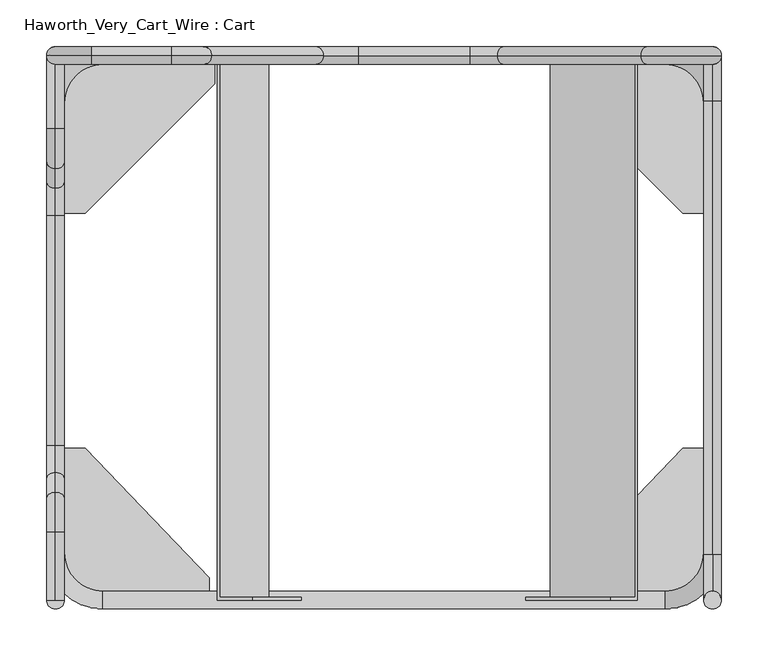
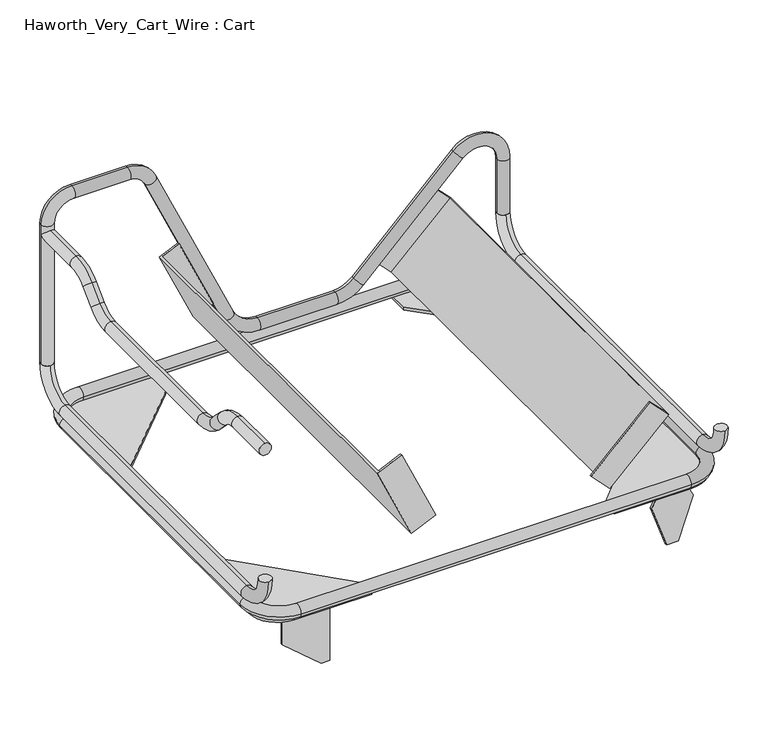
"""IFC4 building model written with IfcOpenShell, lengths in millimetres: furniture geometry, Haworth_Very_Cart_Wire : Cart."""

from ifc_helpers import new_model, si_unit, point, frame, frame_2d, origin, place, context, project, spatial, polyline, circle_curve, ellipse_curve, trimmed, segment, composite_curve, outline, extrude, source, transform, mapped, element, save
from ifc_brep_helpers import plane_surface, cylinder_surface, revolved_surface, advanced_brep


def haworth_very_cart_wire_cart_1d383df7(model_context):
    return source(origin(), model_context, "Body", "SolidModel", [
        extrude(outline(polyline([(105.1682141, -295.275), (53.9749896, -234.6223906), (53.9749896, -221.6149794), (155.5750061, -221.6149794), (155.5750061, -295.275), (105.1682141, -295.275)])), frame((0.0, -271.8699061, 0.0), z_axis=(0.0, 1.0, 0.0), x_axis=(0.0, 0.0, 1.0)), (0.0, 0.0, 1.0), 3.1750061),
        extrude(outline(polyline([(127.4524732, 276.010203), (60.3989614, 299.0985857), (60.3989614, 317.1114397), (127.4524732, 340.1998223), (155.5750061, 326.4835551), (155.5750061, 289.7264702), (127.4524732, 276.010203)])), frame((0.0, -271.8699061, 0.0), z_axis=(0.0, 1.0, 0.0), x_axis=(0.0, 0.0, 1.0)), (0.0, 0.0, 1.0), 3.1750061),
        extrude(outline(composite_curve([segment(polyline([(-168.6549974, -267.9710283), (-168.6549974, -292.1), (-288.5450147, -292.1)]), True, "CONTINUOUS"), segment(trimmed(circle_curve(frame_2d((-288.5450147, -247.2700147)), 44.8299853), [point((-288.5450147, -292.1))], [point((-333.375, -247.2700147))], False, "CARTESIAN"), True, "CONTINUOUS"), segment(polyline([(-333.375, -247.2700147), (-333.375, -129.0310261), (-301.6249758, -129.0310261), (-168.6549974, -267.9710283)]), True, "CONTINUOUS")], self_intersect=False)), frame((0.0, 0.0, 155.5750061), z_axis=(0.0, 0.0, 1.0), x_axis=(1.0, 0.0, 0.0)), (0.0, 0.0, 1.0), 4.5542097),
        extrude(outline(composite_curve([segment(polyline([(206.7549974, -267.9710283), (339.7249758, -129.0310261), (371.475, -129.0310261), (371.475, -247.2700147)]), True, "CONTINUOUS"), segment(trimmed(circle_curve(frame_2d((326.6450147, -247.2700147)), 44.8299853), [point((371.475, -247.2700147))], [point((326.6450147, -292.1))], False, "CARTESIAN"), True, "CONTINUOUS"), segment(polyline([(326.6450147, -292.1), (206.7549974, -292.1), (206.7549974, -267.9710283)]), True, "CONTINUOUS")], self_intersect=False)), frame((0.0, 0.0, 155.5750061), z_axis=(0.0, 0.0, 1.0), x_axis=(1.0, 0.0, 0.0)), (0.0, 0.0, 1.0), 4.5542097),
        extrude(outline(composite_curve([segment(polyline([(200.7849827, 262.0010136), (200.7849827, 292.1), (320.675, 292.1)]), True, "CONTINUOUS"), segment(trimmed(circle_curve(frame_2d((320.675, 241.3)), 50.8), [point((320.675, 292.1))], [point((371.475, 241.3))], False, "CARTESIAN"), True, "CONTINUOUS"), segment(polyline([(371.475, 241.3), (371.475, 123.0610114), (339.7249758, 123.0610114), (200.7849827, 262.0010136)]), True, "CONTINUOUS")], self_intersect=False)), frame((0.0, 0.0, 155.5750061), z_axis=(0.0, 0.0, 1.0), x_axis=(1.0, 0.0, 0.0)), (0.0, 0.0, 1.0), 4.5542097),
        extrude(outline(composite_curve([segment(polyline([(-162.6849827, 262.0010136), (-301.6249758, 123.0610114), (-333.375, 123.0610114), (-333.375, 241.3)]), True, "CONTINUOUS"), segment(trimmed(circle_curve(frame_2d((-282.575, 241.3)), 50.8), [point((-333.375, 241.3))], [point((-282.575, 292.1))], False, "CARTESIAN"), True, "CONTINUOUS"), segment(polyline([(-282.575, 292.1), (-162.6849827, 292.1), (-162.6849827, 262.0010136)]), True, "CONTINUOUS")], self_intersect=False)), frame((0.0, 0.0, 155.5750061), z_axis=(0.0, 0.0, 1.0), x_axis=(1.0, 0.0, 0.0)), (0.0, 0.0, 1.0), 4.5542097),
        extrude(outline(polyline([(0.0, 0.0), (0.0, -41.274994), (-584.2, -41.274994), (-584.2, -0.3202354), (-581.025, -0.3202354), (-581.025, -38.099994), (-3.175, -38.099994), (-3.175, 0.0), (0.0, 0.0)])), frame((170.644216, 292.1, 229.9253646), z_axis=(0.7158561839143719, 0.0, 0.6982477525574666), x_axis=(0.0, 1.0, 0.0)), (0.0, 0.0, 1.0), 127.4894937),
        extrude(outline(polyline([(34.9249941, 0.0), (34.9249941, -3.175), (-3.1749999, -3.175), (-3.1749999, -581.025), (34.9249941, -581.025), (34.9249941, -584.2), (-6.35, -584.2), (-6.35, 0.0), (34.9249941, 0.0)])), frame((-101.4368743, 292.1, 236.7148568), z_axis=(-0.4131043885768614, 0.0, 0.9106836795169537), x_axis=(0.9106836795169537, 0.0, 0.4131043885768614)), (0.0, 0.0, 1.0), 127.4894937),
        advanced_brep(
        [(-323.85, 292.1, 239.5042218), (-342.9, 292.1, 239.5042218), (-342.9, 292.1, 450.6029099), (-342.9, 292.1, 466.7962166), (-323.85, 292.1, 466.7962166), (-323.85, 292.1, 450.6029099), (-333.375, 282.575, 441.0779099), (-333.375, 282.575, 460.1279099), (-295.275, 292.1, 514.4212166), (-295.275, 292.1, 495.3712166), (-209.2928103, 292.1, 514.4212166), (-209.2928103, 292.1, 495.3712166), (-165.9215016, 292.1, 486.4703166), (-183.2700251, 292.1, 478.6006766), (-46.1580734, 292.1, 222.4533291), (-63.5065969, 292.1, 214.5836891), (-8.5696059, 292.1, 198.2292157), (-8.5696059, 292.1, 179.1792157), (111.2610763, 292.1, 198.2292157), (111.2610763, 292.1, 179.1792157), (140.4469087, 292.1, 210.3183833), (153.9172929, 292.1, 196.8479991), (294.2789755, 292.1, 364.1504501), (307.7493597, 292.1, 350.6800659), (381.0, 292.1, 328.2294256), (361.95, 292.1, 328.2294256), (361.95, 292.1, 239.5042218), (381.0, 292.1, 239.5042218), (-333.375, -292.1, 441.0779099), (-333.375, -292.1, 460.1279099), (-333.375, -219.256543, 441.0779099), (-333.375, -219.256543, 460.1279099), (-333.375, -190.0707106, 428.9887423), (-333.375, -176.6003264, 442.4591265), (-333.375, -169.0286374, 407.9466691), (-333.375, -155.5582532, 421.4170533), (-333.375, -126.3724208, 390.2778857), (-333.375, -126.3724208, 409.3278857), (-333.375, 120.4024037, 390.2778857), (-333.375, 120.4024037, 409.3278857), (-333.375, 163.0586339, 407.9466828), (-333.375, 149.5882454, 421.4170626), (-333.375, 184.1006707, 428.988733), (-333.375, 170.6302823, 442.4591129), (-333.375, 213.2865124, 441.0779099), (-333.375, 213.2865124, 460.1279099)],
        [
            (0, 1, circle_curve(frame((-333.375, 292.1, 239.5042218), z_axis=(0.0, 0.0, -1.0), x_axis=(-1.0, 0.0, 0.0)), 9.525)),
            (1, 0, circle_curve(frame((-333.375, 292.1, 239.5042218), z_axis=(0.0, 0.0, -1.0), x_axis=(-1.0, 0.0, 0.0)), 9.525)),
            (1, 2),
            (2, 3),
            (3, 4, circle_curve(frame((-333.375, 292.1, 466.7962166), z_axis=(0.0, 0.0, -1.0), x_axis=(-1.0, 0.0, 0.0)), 9.525)),
            (4, 5),
            (5, 0),
            (5, 6, ellipse_curve(frame((-333.375, 292.1, 450.6029099), z_axis=(0.0, 0.7071067811865475, -0.7071067811865475), x_axis=(0.0, -0.7071067811865474, -0.7071067811865476)), 13.4703842, 9.525)),
            (6, 2, ellipse_curve(frame((-333.375, 292.1, 450.6029099), z_axis=(0.0, 0.7071067811865475, -0.7071067811865475), x_axis=(0.0, -0.7071067811865474, -0.7071067811865476)), 13.4703842, 9.525)),
            (4, 3, circle_curve(frame((-333.375, 292.1, 466.7962166), z_axis=(0.0, 0.0, -1.0), x_axis=(-1.0, 0.0, 0.0)), 9.525)),
            (2, 7, ellipse_curve(frame((-333.375, 292.1, 450.6029099), z_axis=(0.0, 0.7071067811865475, 0.7071067811865475), x_axis=(0.0, 0.7071067811865474, -0.7071067811865476)), 13.4703842, 9.525)),
            (7, 5, ellipse_curve(frame((-333.375, 292.1, 450.6029099), z_axis=(0.0, 0.7071067811865475, 0.7071067811865475), x_axis=(0.0, 0.7071067811865474, -0.7071067811865476)), 13.4703842, 9.525)),
            (3, 8, circle_curve(frame((-295.275, 292.1, 466.7962166), z_axis=(0.0, 1.0, 0.0), x_axis=(-1.0, 0.0, 0.0)), 47.625)),
            (8, 9, circle_curve(frame((-295.275, 292.1, 504.8962166), z_axis=(-1.0, 0.0, 0.0), x_axis=(0.0, 0.0, 1.0)), 9.525)),
            (9, 4, circle_curve(frame((-295.275, 292.1, 466.7962166), z_axis=(0.0, -1.0, 0.0), x_axis=(-1.0, 0.0, 0.0)), 28.575)),
            (9, 8, circle_curve(frame((-295.275, 292.1, 504.8962166), z_axis=(-1.0, 0.0, 0.0), x_axis=(0.0, 0.0, 1.0)), 9.525)),
            (8, 10),
            (10, 11, circle_curve(frame((-209.2928103, 292.1, 504.8962166), z_axis=(-1.0, 0.0, 0.0), x_axis=(0.0, 0.0, 1.0)), 9.525)),
            (11, 9),
            (11, 10, circle_curve(frame((-209.2928103, 292.1, 504.8962166), z_axis=(-1.0, 0.0, 0.0), x_axis=(0.0, 0.0, 1.0)), 9.525)),
            (10, 12, circle_curve(frame((-209.2928103, 292.1, 466.7962166), z_axis=(0.0, 1.0, 0.0), x_axis=(0.0, 0.0, 1.0)), 47.625)),
            (12, 13, circle_curve(frame((-174.5957634, 292.1, 482.5354966), z_axis=(-0.41310446171335313, 0.0, 0.9106836463407701), x_axis=(0.9106836463407701, 0.0, 0.41310446171335313)), 9.525)),
            (13, 11, circle_curve(frame((-209.2928103, 292.1, 466.7962166), z_axis=(0.0, -1.0, 0.0), x_axis=(0.0, 0.0, 1.0)), 28.575)),
            (13, 12, circle_curve(frame((-174.5957634, 292.1, 482.5354966), z_axis=(-0.41310446171335374, 0.0, 0.9106836463407698), x_axis=(0.9106836463407698, 0.0, 0.41310446171335374)), 9.525)),
            (12, 14),
            (14, 15, circle_curve(frame((-54.8323352, 292.1, 218.5185091), z_axis=(-0.41310446171335236, 0.0, 0.9106836463407705), x_axis=(0.9106836463407705, 0.0, 0.41310446171335236)), 9.525)),
            (15, 13),
            (15, 14, circle_curve(frame((-54.8323352, 292.1, 218.5185091), z_axis=(-0.41310446171335236, 0.0, 0.9106836463407705), x_axis=(0.9106836463407705, 0.0, 0.41310446171335236)), 9.525)),
            (14, 16, circle_curve(frame((-8.5696059, 292.1, 239.5042157), z_axis=(0.0, -1.0, 0.0), x_axis=(-0.9106836463407736, 0.0, -0.4131044617133453)), 41.275)),
            (16, 17, circle_curve(frame((-8.5696059, 292.1, 188.7042157), z_axis=(-1.0, 0.0, 0.0), x_axis=(0.0, 0.0, 1.0)), 9.525)),
            (17, 15, circle_curve(frame((-8.5696059, 292.1, 239.5042157), z_axis=(0.0, 1.0, 0.0), x_axis=(-0.9106836463407736, 0.0, -0.4131044617133453)), 60.325)),
            (17, 16, circle_curve(frame((-8.5696059, 292.1, 188.7042157), z_axis=(-1.0, 0.0, 0.0), x_axis=(0.0, 0.0, 1.0)), 9.525)),
            (16, 18),
            (18, 19, circle_curve(frame((111.2610763, 292.1, 188.7042157), z_axis=(-1.0, 0.0, 0.0), x_axis=(0.0, 0.0, 1.0)), 9.525)),
            (19, 17),
            (19, 18, circle_curve(frame((111.2610763, 292.1, 188.7042157), z_axis=(-1.0, 0.0, 0.0), x_axis=(0.0, 0.0, 1.0)), 9.525)),
            (18, 20, circle_curve(frame((111.2610763, 292.1, 239.5042157), z_axis=(0.0, -1.0, 0.0), x_axis=(0.0, 0.0, -1.0)), 41.275)),
            (20, 21, circle_curve(frame((147.1821008, 292.1, 203.5831912), z_axis=(-0.7071067811865444, 0.0, -0.7071067811865507), x_axis=(-0.7071067811865507, 0.0, 0.7071067811865444)), 9.525)),
            (21, 19, circle_curve(frame((111.2610763, 292.1, 239.5042157), z_axis=(0.0, 1.0, 0.0), x_axis=(0.0, 0.0, -1.0)), 60.325)),
            (21, 20, circle_curve(frame((147.1821008, 292.1, 203.5831912), z_axis=(-0.707106781186546, 0.0, -0.707106781186549), x_axis=(-0.707106781186549, 0.0, 0.707106781186546)), 9.525)),
            (20, 22),
            (22, 23, circle_curve(frame((301.0141676, 292.1, 357.415258), z_axis=(-0.7071067811865458, 0.0, -0.7071067811865493), x_axis=(-0.7071067811865493, 0.0, 0.7071067811865458)), 9.525)),
            (23, 21),
            (23, 22, circle_curve(frame((301.0141676, 292.1, 357.415258), z_axis=(-0.7071067811865458, 0.0, -0.7071067811865493), x_axis=(-0.7071067811865493, 0.0, 0.7071067811865458)), 9.525)),
            (22, 24, circle_curve(frame((330.2, 292.1, 328.2294256), z_axis=(0.0, 1.0, 0.0), x_axis=(-0.70710678118655, 0.0, 0.707106781186545)), 50.8)),
            (24, 25, circle_curve(frame((371.475, 292.1, 328.2294256), z_axis=(0.0, 0.0, 1.0), x_axis=(1.0, 0.0, 0.0)), 9.525)),
            (25, 23, circle_curve(frame((330.2, 292.1, 328.2294256), z_axis=(0.0, -1.0, 0.0), x_axis=(-0.70710678118655, 0.0, 0.707106781186545)), 31.75)),
            (25, 24, circle_curve(frame((371.475, 292.1, 328.2294256), z_axis=(0.0, 0.0, 1.0), x_axis=(1.0, 0.0, 0.0)), 9.525)),
            (26, 27, circle_curve(frame((371.475, 292.1, 239.5042218), z_axis=(0.0, 0.0, -1.0), x_axis=(1.0, 0.0, 0.0)), 9.525)),
            (27, 26, circle_curve(frame((371.475, 292.1, 239.5042218), z_axis=(0.0, 0.0, -1.0), x_axis=(1.0, 0.0, 0.0)), 9.525)),
            (24, 27),
            (26, 25),
            (28, 29, circle_curve(frame((-333.375, -292.1, 450.6029099), z_axis=(0.0, -1.0, 0.0), x_axis=(0.0, 0.0, 1.0)), 9.525)),
            (29, 28, circle_curve(frame((-333.375, -292.1, 450.6029099), z_axis=(0.0, -1.0, 0.0), x_axis=(0.0, 0.0, 1.0)), 9.525)),
            (28, 30),
            (30, 31, circle_curve(frame((-333.375, -219.256543, 450.6029099), z_axis=(0.0, -1.0, 0.0), x_axis=(0.0, 0.0, 1.0)), 9.525)),
            (31, 29),
            (31, 30, circle_curve(frame((-333.375, -219.256543, 450.6029099), z_axis=(0.0, -1.0, 0.0), x_axis=(0.0, 0.0, 1.0)), 9.525)),
            (30, 32, circle_curve(frame((-333.375, -219.256543, 399.8029099), z_axis=(-1.0, 0.0, 0.0), x_axis=(0.0, 0.0, 1.0)), 41.275)),
            (32, 33, circle_curve(frame((-333.375, -183.3355185, 435.7239344), z_axis=(0.0, -0.7071067811865454, 0.7071067811865497), x_axis=(0.0, 0.7071067811865497, 0.7071067811865454)), 9.525)),
            (33, 31, circle_curve(frame((-333.375, -219.256543, 399.8029099), z_axis=(1.0, 0.0, 0.0), x_axis=(0.0, 0.0, 1.0)), 60.325)),
            (33, 32, circle_curve(frame((-333.375, -183.3355185, 435.7239344), z_axis=(0.0, -0.707106781186546, 0.707106781186549), x_axis=(0.0, 0.707106781186549, 0.707106781186546)), 9.525)),
            (32, 34),
            (34, 35, circle_curve(frame((-333.375, -162.2934453, 414.6818612), z_axis=(0.0, -0.7071067811865476, 0.7071067811865476), x_axis=(0.0, 0.7071067811865476, 0.7071067811865476)), 9.525)),
            (35, 33),
            (35, 34, circle_curve(frame((-333.375, -162.2934453, 414.6818612), z_axis=(0.0, -0.7071067811865476, 0.7071067811865476), x_axis=(0.0, 0.7071067811865476, 0.7071067811865476)), 9.525)),
            (34, 36, circle_curve(frame((-333.375, -126.3724208, 450.6028857), z_axis=(1.0, 0.0, 0.0), x_axis=(0.0, -0.7071067811865523, -0.7071067811865427)), 60.325)),
            (36, 37, circle_curve(frame((-333.375, -126.3724208, 399.8028857), z_axis=(0.0, -1.0, 0.0), x_axis=(0.0, 0.0, 1.0)), 9.525)),
            (37, 35, circle_curve(frame((-333.375, -126.3724208, 450.6028857), z_axis=(-1.0, 0.0, 0.0), x_axis=(0.0, -0.7071067811865523, -0.7071067811865427)), 41.275)),
            (37, 36, circle_curve(frame((-333.375, -126.3724208, 399.8028857), z_axis=(0.0, -1.0, 0.0), x_axis=(0.0, 0.0, 1.0)), 9.525)),
            (36, 38),
            (38, 39, circle_curve(frame((-333.375, 120.4024037, 399.8028857), z_axis=(0.0, -1.0, 0.0), x_axis=(0.0, 0.0, 1.0)), 9.525)),
            (39, 37),
            (39, 38, circle_curve(frame((-333.375, 120.4024037, 399.8028857), z_axis=(0.0, -1.0, 0.0), x_axis=(0.0, 0.0, 1.0)), 9.525)),
            (38, 40, circle_curve(frame((-333.375, 120.4024037, 450.6028857), z_axis=(1.0, 0.0, 0.0), x_axis=(0.0, 0.0, -1.0)), 60.325)),
            (40, 41, circle_curve(frame((-333.375, 156.3234397, 414.6818727), z_axis=(0.0, -0.70710655566569, -0.7071070067073331), x_axis=(0.0, -0.7071070067073331, 0.70710655566569)), 9.525)),
            (41, 39, circle_curve(frame((-333.375, 120.4024037, 450.6028857), z_axis=(-1.0, 0.0, 0.0), x_axis=(0.0, 0.0, -1.0)), 41.275)),
            (41, 40, circle_curve(frame((-333.375, 156.3234397, 414.6818727), z_axis=(0.0, -0.7071065556656883, -0.707107006707335), x_axis=(0.0, -0.707107006707335, 0.7071065556656883)), 9.525)),
            (40, 42),
            (42, 43, circle_curve(frame((-333.375, 177.3654765, 435.723923), z_axis=(0.0, -0.7071065556656894, -0.7071070067073338), x_axis=(0.0, -0.7071070067073338, 0.7071065556656894)), 9.525)),
            (43, 41),
            (43, 42, circle_curve(frame((-333.375, 177.3654765, 435.723923), z_axis=(0.0, -0.7071065556656894, -0.7071070067073338), x_axis=(0.0, -0.7071070067073338, 0.7071065556656894)), 9.525)),
            (42, 44, circle_curve(frame((-333.375, 213.2865124, 399.8029099), z_axis=(-1.0, 0.0, 0.0), x_axis=(0.0, -0.7071070067073377, 0.7071065556656855)), 41.275)),
            (44, 45, circle_curve(frame((-333.375, 213.2865124, 450.6029099), z_axis=(0.0, -1.0, 0.0), x_axis=(0.0, 0.0, 1.0)), 9.525)),
            (45, 43, circle_curve(frame((-333.375, 213.2865124, 399.8029099), z_axis=(1.0, 0.0, 0.0), x_axis=(0.0, -0.7071070067073377, 0.7071065556656855)), 60.325)),
            (45, 44, circle_curve(frame((-333.375, 213.2865124, 450.6029099), z_axis=(0.0, -1.0, 0.0), x_axis=(0.0, 0.0, 1.0)), 9.525)),
            (44, 6),
            (7, 45),
        ],
        [
            plane_surface(frame((-333.375, 292.1, 239.5042218), z_axis=(0.0, 0.0, -1.0), x_axis=(0.0, -1.0, 0.0))),
            cylinder_surface(frame((-333.375, 292.1, 239.5042218), z_axis=(0.0, 0.0, -1.0), x_axis=(-1.0, 0.0, 0.0)), 9.525),
            revolved_surface(trimmed(ellipse_curve(frame((-333.375, 292.1, 466.7962166), z_axis=(0.0, 0.0, -1.0), x_axis=(-1.0, 0.0, 0.0)), 9.525, 9.525), [point((-342.9, 292.1, 466.7962166))], [point((-323.85, 292.1, 466.7962166))], True, "CARTESIAN"), (-295.275, 292.1, 466.7962166), (0.0, 1.0, 0.0)),
            revolved_surface(trimmed(ellipse_curve(frame((-333.375, 292.1, 466.7962166), z_axis=(0.0, 0.0, -1.0), x_axis=(-1.0, 0.0, 0.0)), 9.525, 9.525), [point((-323.85, 292.1, 466.7962166))], [point((-342.9, 292.1, 466.7962166))], True, "CARTESIAN"), (-295.275, 292.1, 466.7962166), (0.0, 1.0, 0.0)),
            cylinder_surface(frame((-295.275, 292.1, 504.8962166), z_axis=(-1.0, 0.0, 0.0), x_axis=(0.0, 0.0, 1.0)), 9.525),
            revolved_surface(trimmed(ellipse_curve(frame((-209.2928103, 292.1, 504.8962166), z_axis=(-1.0, 0.0, 0.0), x_axis=(0.0, 0.0, 1.0)), 9.525, 9.525), [point((-209.2928103, 292.1, 514.4212166))], [point((-209.2928103, 292.1, 495.3712166))], True, "CARTESIAN"), (-209.2928103, 292.1, 466.7962166), (0.0, 1.0, 0.0)),
            revolved_surface(trimmed(ellipse_curve(frame((-209.2928103, 292.1, 504.8962166), z_axis=(-1.0, 0.0, 0.0), x_axis=(0.0, 0.0, 1.0)), 9.525, 9.525), [point((-209.2928103, 292.1, 495.3712166))], [point((-209.2928103, 292.1, 514.4212166))], True, "CARTESIAN"), (-209.2928103, 292.1, 466.7962166), (0.0, 1.0, 0.0)),
            cylinder_surface(frame((-174.5957634, 292.1, 482.5354966), z_axis=(-0.41310446171335236, 0.0, 0.9106836463407705), x_axis=(0.9106836463407705, 0.0, 0.41310446171335236)), 9.525),
            revolved_surface(trimmed(ellipse_curve(frame((-54.8323352, 292.1, 218.5185091), z_axis=(-0.4131044617133456, 0.0, 0.9106836463407735), x_axis=(0.9106836463407735, 0.0, 0.4131044617133456)), 9.525, 9.525), [point((-46.1580734, 292.1, 222.4533291))], [point((-63.5065969, 292.1, 214.5836891))], True, "CARTESIAN"), (-8.5696059, 292.1, 239.5042157), (0.0, -1.0, 0.0)),
            revolved_surface(trimmed(ellipse_curve(frame((-54.8323352, 292.1, 218.5185091), z_axis=(-0.4131044617133456, 0.0, 0.9106836463407735), x_axis=(0.9106836463407735, 0.0, 0.4131044617133456)), 9.525, 9.525), [point((-63.5065969, 292.1, 214.5836891))], [point((-46.1580734, 292.1, 222.4533291))], True, "CARTESIAN"), (-8.5696059, 292.1, 239.5042157), (0.0, -1.0, 0.0)),
            cylinder_surface(frame((-8.5696059, 292.1, 188.7042157), z_axis=(-1.0, 0.0, 0.0), x_axis=(0.0, 0.0, 1.0)), 9.525),
            revolved_surface(trimmed(ellipse_curve(frame((111.2610763, 292.1, 188.7042157), z_axis=(-1.0, 0.0, 0.0), x_axis=(0.0, 0.0, 1.0)), 9.525, 9.525), [point((111.2610763, 292.1, 198.2292157))], [point((111.2610763, 292.1, 179.1792157))], True, "CARTESIAN"), (111.2610763, 292.1, 239.5042157), (0.0, -1.0, 0.0)),
            revolved_surface(trimmed(ellipse_curve(frame((111.2610763, 292.1, 188.7042157), z_axis=(-1.0, 0.0, 0.0), x_axis=(0.0, 0.0, 1.0)), 9.525, 9.525), [point((111.2610763, 292.1, 179.1792157))], [point((111.2610763, 292.1, 198.2292157))], True, "CARTESIAN"), (111.2610763, 292.1, 239.5042157), (0.0, -1.0, 0.0)),
            cylinder_surface(frame((147.1821008, 292.1, 203.5831912), z_axis=(-0.7071067811865458, 0.0, -0.7071067811865493), x_axis=(-0.7071067811865493, 0.0, 0.7071067811865458)), 9.525),
            revolved_surface(trimmed(ellipse_curve(frame((301.0141676, 292.1, 357.415258), z_axis=(-0.707106781186545, 0.0, -0.70710678118655), x_axis=(-0.70710678118655, 0.0, 0.707106781186545)), 9.525, 9.525), [point((294.2789755, 292.1, 364.1504501))], [point((307.7493597, 292.1, 350.6800659))], True, "CARTESIAN"), (330.2, 292.1, 328.2294256), (0.0, 1.0, 0.0)),
            revolved_surface(trimmed(ellipse_curve(frame((301.0141676, 292.1, 357.415258), z_axis=(-0.707106781186545, 0.0, -0.70710678118655), x_axis=(-0.70710678118655, 0.0, 0.707106781186545)), 9.525, 9.525), [point((307.7493597, 292.1, 350.6800659))], [point((294.2789755, 292.1, 364.1504501))], True, "CARTESIAN"), (330.2, 292.1, 328.2294256), (0.0, 1.0, 0.0)),
            plane_surface(frame((371.475, 292.1, 239.5042218), z_axis=(0.0, 0.0, -1.0), x_axis=(0.0, -1.0, 0.0))),
            cylinder_surface(frame((371.475, 292.1, 328.2294256), z_axis=(0.0, 0.0, 1.0), x_axis=(1.0, 0.0, 0.0)), 9.525),
            plane_surface(frame((-333.375, -292.1, 450.6029099), z_axis=(0.0, -1.0, 0.0), x_axis=(1.0, 0.0, 0.0))),
            cylinder_surface(frame((-333.375, -292.1, 450.6029099), z_axis=(0.0, -1.0, 0.0), x_axis=(0.0, 0.0, 1.0)), 9.525),
            revolved_surface(trimmed(ellipse_curve(frame((-333.375, -219.256543, 450.6029099), z_axis=(0.0, -1.0, 0.0), x_axis=(0.0, 0.0, 1.0)), 9.525, 9.525), [point((-333.375, -219.256543, 441.0779099))], [point((-333.375, -219.256543, 460.1279099))], True, "CARTESIAN"), (-333.375, -219.256543, 399.8029099), (-1.0, 0.0, 0.0)),
            revolved_surface(trimmed(ellipse_curve(frame((-333.375, -219.256543, 450.6029099), z_axis=(0.0, -1.0, 0.0), x_axis=(0.0, 0.0, 1.0)), 9.525, 9.525), [point((-333.375, -219.256543, 460.1279099))], [point((-333.375, -219.256543, 441.0779099))], True, "CARTESIAN"), (-333.375, -219.256543, 399.8029099), (-1.0, 0.0, 0.0)),
            cylinder_surface(frame((-333.375, -183.3355185, 435.7239344), z_axis=(0.0, -0.7071067811865476, 0.7071067811865476), x_axis=(0.0, 0.7071067811865476, 0.7071067811865476)), 9.525),
            revolved_surface(trimmed(ellipse_curve(frame((-333.375, -162.2934453, 414.6818612), z_axis=(0.0, -0.7071067811865428, 0.7071067811865522), x_axis=(0.0, 0.7071067811865522, 0.7071067811865428)), 9.525, 9.525), [point((-333.375, -169.0286374, 407.9466691))], [point((-333.375, -155.5582532, 421.4170533))], True, "CARTESIAN"), (-333.375, -126.3724208, 450.6028857), (1.0, 0.0, 0.0)),
            revolved_surface(trimmed(ellipse_curve(frame((-333.375, -162.2934453, 414.6818612), z_axis=(0.0, -0.7071067811865428, 0.7071067811865522), x_axis=(0.0, 0.7071067811865522, 0.7071067811865428)), 9.525, 9.525), [point((-333.375, -155.5582532, 421.4170533))], [point((-333.375, -169.0286374, 407.9466691))], True, "CARTESIAN"), (-333.375, -126.3724208, 450.6028857), (1.0, 0.0, 0.0)),
            cylinder_surface(frame((-333.375, -126.3724208, 399.8028857), z_axis=(0.0, -1.0, 0.0), x_axis=(0.0, 0.0, 1.0)), 9.525),
            revolved_surface(trimmed(ellipse_curve(frame((-333.375, 120.4024037, 399.8028857), z_axis=(0.0, -1.0, 0.0), x_axis=(0.0, 0.0, 1.0)), 9.525, 9.525), [point((-333.375, 120.4024037, 390.2778857))], [point((-333.375, 120.4024037, 409.3278857))], True, "CARTESIAN"), (-333.375, 120.4024037, 450.6028857), (1.0, 0.0, 0.0)),
            revolved_surface(trimmed(ellipse_curve(frame((-333.375, 120.4024037, 399.8028857), z_axis=(0.0, -1.0, 0.0), x_axis=(0.0, 0.0, 1.0)), 9.525, 9.525), [point((-333.375, 120.4024037, 409.3278857))], [point((-333.375, 120.4024037, 390.2778857))], True, "CARTESIAN"), (-333.375, 120.4024037, 450.6028857), (1.0, 0.0, 0.0)),
            cylinder_surface(frame((-333.375, 156.3234397, 414.6818727), z_axis=(0.0, -0.7071065556656894, -0.7071070067073338), x_axis=(0.0, -0.7071070067073338, 0.7071065556656894)), 9.525),
            revolved_surface(trimmed(ellipse_curve(frame((-333.375, 177.3654765, 435.723923), z_axis=(0.0, -0.7071065556656855, -0.7071070067073377), x_axis=(0.0, -0.7071070067073377, 0.7071065556656855)), 9.525, 9.525), [point((-333.375, 184.1006707, 428.988733))], [point((-333.375, 170.6302823, 442.4591129))], True, "CARTESIAN"), (-333.375, 213.2865124, 399.8029099), (-1.0, 0.0, 0.0)),
            revolved_surface(trimmed(ellipse_curve(frame((-333.375, 177.3654765, 435.723923), z_axis=(0.0, -0.7071065556656855, -0.7071070067073377), x_axis=(0.0, -0.7071070067073377, 0.7071065556656855)), 9.525, 9.525), [point((-333.375, 170.6302823, 442.4591129))], [point((-333.375, 184.1006707, 428.988733))], True, "CARTESIAN"), (-333.375, 213.2865124, 399.8029099), (-1.0, 0.0, 0.0)),
            cylinder_surface(frame((-333.375, 213.2865124, 450.6029099), z_axis=(0.0, -1.0, 0.0), x_axis=(0.0, 0.0, 1.0)), 9.525),
        ],
        [
            (0, [[1, 2]]),
            (1, [[-2, 3, 4, 5, 6, 7]]),
            (1, [[-1, -7, 8, 9, -3]]),
            (1, [[10, -4, 11, 12, -6]]),
            (2, [[-5, 13, 14, 15]]),
            (3, [[-10, -15, 16, -13]]),
            (4, [[-14, 17, 18, 19]]),
            (4, [[-16, -19, 20, -17]]),
            (5, [[-18, 21, 22, 23]]),
            (6, [[-20, -23, 24, -21]]),
            (7, [[-22, 25, 26, 27]]),
            (7, [[-24, -27, 28, -25]]),
            (8, [[-26, 29, 30, 31]]),
            (9, [[-28, -31, 32, -29]]),
            (10, [[-30, 33, 34, 35]]),
            (10, [[-32, -35, 36, -33]]),
            (11, [[-34, 37, 38, 39]]),
            (12, [[-36, -39, 40, -37]]),
            (13, [[-38, 41, 42, 43]]),
            (13, [[-40, -43, 44, -41]]),
            (14, [[-42, 45, 46, 47]]),
            (15, [[-44, -47, 48, -45]]),
            (16, [[49, 50]]),
            (17, [[-46, 51, -49, 52]]),
            (17, [[-48, -52, -50, -51]]),
            (18, [[53, 54]]),
            (19, [[-53, 55, 56, 57]]),
            (19, [[-54, -57, 58, -55]]),
            (20, [[-56, 59, 60, 61]]),
            (21, [[-58, -61, 62, -59]]),
            (22, [[-60, 63, 64, 65]]),
            (22, [[-62, -65, 66, -63]]),
            (23, [[-64, 67, 68, 69]]),
            (24, [[-66, -69, 70, -67]]),
            (25, [[-68, 71, 72, 73]]),
            (25, [[-70, -73, 74, -71]]),
            (26, [[-72, 75, 76, 77]]),
            (27, [[-74, -77, 78, -75]]),
            (28, [[-76, 79, 80, 81]]),
            (28, [[-78, -81, 82, -79]]),
            (29, [[-80, 83, 84, 85]]),
            (30, [[-82, -85, 86, -83]]),
            (31, [[-84, 87, -8, -12, 88]]),
            (31, [[-86, -88, -11, -9, -87]]),
        ],
    ),
        advanced_brep(
        [(371.475, -242.9510136, 198.2292157), (371.475, -242.9510136, 179.1792157), (371.475, 242.9510136, 179.1792157), (371.475, 242.9510136, 198.2292157), (371.475, 282.5801967, 239.1896279), (371.475, 301.6198033, 239.8188157), (371.475, -282.5801967, 239.1896279), (371.475, -301.6198033, 239.8188157)],
        [
            (0, 1, circle_curve(frame((371.475, -242.9510136, 188.7042157), z_axis=(0.0, 1.0, 0.0), x_axis=(0.0, 0.0, -1.0)), 9.525)),
            (1, 2),
            (2, 3, circle_curve(frame((371.475, 242.9510136, 188.7042157), z_axis=(0.0, -1.0, 0.0), x_axis=(0.0, 0.0, -1.0)), 9.525)),
            (3, 0),
            (1, 0, circle_curve(frame((371.475, -242.9510136, 188.7042157), z_axis=(0.0, 1.0, 0.0), x_axis=(0.0, 0.0, -1.0)), 9.525)),
            (3, 2, circle_curve(frame((371.475, 242.9510136, 188.7042157), z_axis=(0.0, -1.0, 0.0), x_axis=(0.0, 0.0, -1.0)), 9.525)),
            (4, 5, circle_curve(frame((371.475, 292.1, 239.5042218), z_axis=(0.0, -0.03302823135597566, 0.9994544191375093), x_axis=(0.0, 0.9994544191375093, 0.03302823135597566)), 9.525)),
            (5, 4, circle_curve(frame((371.475, 292.1, 239.5042218), z_axis=(0.0, -0.03302823135597566, 0.9994544191375093), x_axis=(0.0, 0.9994544191375093, 0.03302823135597566)), 9.525)),
            (4, 3, circle_curve(frame((371.475, 242.9510136, 237.8800315), z_axis=(-1.0, 0.0, 0.0), x_axis=(0.0, 0.0, -1.0)), 39.6508158)),
            (2, 5, circle_curve(frame((371.475, 242.9510136, 237.8800315), z_axis=(1.0, 0.0, 0.0), x_axis=(0.0, 0.0, -1.0)), 58.7008158)),
            (6, 7, circle_curve(frame((371.475, -292.1, 239.5042218), z_axis=(0.0, 0.03302823135598177, 0.9994544191375091), x_axis=(0.0, -0.9994544191375091, 0.03302823135598177)), 9.525)),
            (7, 6, circle_curve(frame((371.475, -292.1, 239.5042218), z_axis=(0.0, 0.03302823135598177, 0.9994544191375091), x_axis=(0.0, -0.9994544191375091, 0.03302823135598177)), 9.525)),
            (1, 7, circle_curve(frame((371.475, -242.9510136, 237.8800315), z_axis=(-1.0, 0.0, 0.0), x_axis=(0.0, -0.9994544191375091, 0.03302823135598177)), 58.7008158)),
            (6, 0, circle_curve(frame((371.475, -242.9510136, 237.8800315), z_axis=(1.0, 0.0, 0.0), x_axis=(0.0, -0.9994544191375091, 0.03302823135598177)), 39.6508158)),
        ],
        [
            cylinder_surface(frame((371.475, -242.9510136, 188.7042157), z_axis=(0.0, -1.0, 0.0), x_axis=(0.0, 0.0, -1.0)), 9.525),
            plane_surface(frame((371.475, 292.1, 239.5042218), z_axis=(0.0, -0.03302823135597566, 0.9994544191375093), x_axis=(-1.0, 0.0, 0.0))),
            revolved_surface(trimmed(ellipse_curve(frame((371.475, 242.9510136, 188.7042157), z_axis=(0.0, -1.0, 0.0), x_axis=(0.0, 0.0, -1.0)), 9.525, 9.525), [point((371.475, 242.9510136, 179.1792157))], [point((371.475, 242.9510136, 198.2292157))], True, "CARTESIAN"), (371.475, 242.9510136, 237.8800315), (1.0, 0.0, 0.0)),
            revolved_surface(trimmed(ellipse_curve(frame((371.475, 242.9510136, 188.7042157), z_axis=(0.0, -1.0, 0.0), x_axis=(0.0, 0.0, -1.0)), 9.525, 9.525), [point((371.475, 242.9510136, 198.2292157))], [point((371.475, 242.9510136, 179.1792157))], True, "CARTESIAN"), (371.475, 242.9510136, 237.8800315), (1.0, 0.0, 0.0)),
            plane_surface(frame((371.475, -292.1, 239.5042218), z_axis=(0.0, 0.03302823135598177, 0.9994544191375091), x_axis=(-1.0, 0.0, 0.0))),
            revolved_surface(trimmed(ellipse_curve(frame((371.475, -292.1, 239.5042218), z_axis=(0.0, 0.03302823135598177, 0.9994544191375091), x_axis=(0.0, -0.9994544191375091, 0.03302823135598177)), 9.525, 9.525), [point((371.475, -282.5801967, 239.1896279))], [point((371.475, -301.6198033, 239.8188157))], True, "CARTESIAN"), (371.475, -242.9510136, 237.8800315), (1.0, 0.0, 0.0)),
            revolved_surface(trimmed(ellipse_curve(frame((371.475, -292.1, 239.5042218), z_axis=(0.0, 0.03302823135598177, 0.9994544191375091), x_axis=(0.0, -0.9994544191375091, 0.03302823135598177)), 9.525, 9.525), [point((371.475, -301.6198033, 239.8188157))], [point((371.475, -282.5801967, 239.1896279))], True, "CARTESIAN"), (371.475, -242.9510136, 237.8800315), (1.0, 0.0, 0.0)),
        ],
        [
            (0, [[1, 2, 3, 4]]),
            (0, [[5, -4, 6, -2]]),
            (1, [[7, 8]]),
            (2, [[9, -3, 10, -7]]),
            (3, [[-10, -6, -9, -8]]),
            (4, [[11, 12]]),
            (5, [[13, -11, 14, -5]]),
            (6, [[-14, -12, -13, -1]]),
        ],
    ),
        advanced_brep(
        [(-333.375, -242.9510136, 198.2292157), (-333.375, -242.9510136, 179.1792157), (-333.375, 242.9510136, 179.1792157), (-333.375, 242.9510136, 198.2292157), (-333.375, 301.6198033, 239.8188157), (-333.375, 282.5801967, 239.1896279), (-333.375, -301.6198033, 239.8188157), (-333.375, -282.5801967, 239.1896279)],
        [
            (0, 1, circle_curve(frame((-333.375, -242.9510136, 188.7042157), z_axis=(0.0, 1.0, 0.0), x_axis=(0.0, 0.0, 1.0)), 9.525)),
            (1, 2),
            (2, 3, circle_curve(frame((-333.375, 242.9510136, 188.7042157), z_axis=(0.0, -1.0, 0.0), x_axis=(0.0, 0.0, 1.0)), 9.525)),
            (3, 0),
            (1, 0, circle_curve(frame((-333.375, -242.9510136, 188.7042157), z_axis=(0.0, 1.0, 0.0), x_axis=(0.0, 0.0, 1.0)), 9.525)),
            (3, 2, circle_curve(frame((-333.375, 242.9510136, 188.7042157), z_axis=(0.0, -1.0, 0.0), x_axis=(0.0, 0.0, 1.0)), 9.525)),
            (4, 5, circle_curve(frame((-333.375, 292.1, 239.5042218), z_axis=(0.0, -0.033028231358737496, 0.9994544191374181), x_axis=(0.0, -0.9994544191374181, -0.033028231358737496)), 9.525)),
            (5, 4, circle_curve(frame((-333.375, 292.1, 239.5042218), z_axis=(0.0, -0.033028231358737496, 0.9994544191374181), x_axis=(0.0, -0.9994544191374181, -0.033028231358737496)), 9.525)),
            (5, 3, circle_curve(frame((-333.375, 242.9510136, 237.8800315), z_axis=(-1.0, 0.0, 0.0), x_axis=(0.0, 0.0, -1.0)), 39.6508158)),
            (2, 4, circle_curve(frame((-333.375, 242.9510136, 237.8800315), z_axis=(1.0, 0.0, 0.0), x_axis=(0.0, 0.0, -1.0)), 58.7008158)),
            (6, 7, circle_curve(frame((-333.375, -292.1, 239.5042218), z_axis=(0.0, 0.03302823135873762, 0.9994544191374181), x_axis=(0.0, 0.9994544191374181, -0.03302823135873762)), 9.525)),
            (7, 6, circle_curve(frame((-333.375, -292.1, 239.5042218), z_axis=(0.0, 0.03302823135873762, 0.9994544191374181), x_axis=(0.0, 0.9994544191374181, -0.03302823135873762)), 9.525)),
            (0, 7, circle_curve(frame((-333.375, -242.9510136, 237.8800315), z_axis=(-1.0, 0.0, 0.0), x_axis=(0.0, -0.9994544191374181, 0.03302823135873762)), 39.6508158)),
            (6, 1, circle_curve(frame((-333.375, -242.9510136, 237.8800315), z_axis=(1.0, 0.0, 0.0), x_axis=(0.0, -0.9994544191374181, 0.03302823135873762)), 58.7008158)),
        ],
        [
            cylinder_surface(frame((-333.375, -242.9510136, 188.7042157), z_axis=(0.0, -1.0, 0.0), x_axis=(0.0, 0.0, 1.0)), 9.525),
            plane_surface(frame((-333.375, 292.1, 239.5042218), z_axis=(0.0, -0.033028231358737496, 0.9994544191374181), x_axis=(1.0, 0.0, 0.0))),
            revolved_surface(trimmed(ellipse_curve(frame((-333.375, 242.9510136, 188.7042157), z_axis=(0.0, -1.0, 0.0), x_axis=(0.0, 0.0, 1.0)), 9.525, 9.525), [point((-333.375, 242.9510136, 179.1792157))], [point((-333.375, 242.9510136, 198.2292157))], True, "CARTESIAN"), (-333.375, 242.9510136, 237.8800315), (1.0, 0.0, 0.0)),
            revolved_surface(trimmed(ellipse_curve(frame((-333.375, 242.9510136, 188.7042157), z_axis=(0.0, -1.0, 0.0), x_axis=(0.0, 0.0, 1.0)), 9.525, 9.525), [point((-333.375, 242.9510136, 198.2292157))], [point((-333.375, 242.9510136, 179.1792157))], True, "CARTESIAN"), (-333.375, 242.9510136, 237.8800315), (1.0, 0.0, 0.0)),
            plane_surface(frame((-333.375, -292.1, 239.5042218), z_axis=(0.0, 0.03302823135873762, 0.9994544191374181), x_axis=(1.0, 0.0, 0.0))),
            revolved_surface(trimmed(ellipse_curve(frame((-333.375, -292.1, 239.5042218), z_axis=(0.0, 0.03302823135873762, 0.9994544191374181), x_axis=(0.0, 0.9994544191374181, -0.03302823135873762)), 9.525, 9.525), [point((-333.375, -301.6198033, 239.8188157))], [point((-333.375, -282.5801967, 239.1896279))], True, "CARTESIAN"), (-333.375, -242.9510136, 237.8800315), (1.0, 0.0, 0.0)),
            revolved_surface(trimmed(ellipse_curve(frame((-333.375, -292.1, 239.5042218), z_axis=(0.0, 0.03302823135873762, 0.9994544191374181), x_axis=(0.0, 0.9994544191374181, -0.03302823135873762)), 9.525, 9.525), [point((-333.375, -282.5801967, 239.1896279))], [point((-333.375, -301.6198033, 239.8188157))], True, "CARTESIAN"), (-333.375, -242.9510136, 237.8800315), (1.0, 0.0, 0.0)),
        ],
        [
            (0, [[1, 2, 3, 4]]),
            (0, [[5, -4, 6, -2]]),
            (1, [[7, 8]]),
            (2, [[9, -3, 10, -8]]),
            (3, [[-10, -6, -9, -7]]),
            (4, [[11, 12]]),
            (5, [[13, -11, 14, -1]]),
            (6, [[-14, -12, -13, -5]]),
        ],
    ),
        advanced_brep(
        [(381.0, 241.3, 169.6542157), (320.675, 301.625, 169.6542157), (320.675, 282.575, 169.6542157), (361.95, 241.3, 169.6542157), (361.95, -241.3, 169.6542157), (381.0, -241.3, 169.6542157), (320.675, -301.625, 169.6542157), (320.675, -282.575, 169.6542157), (-282.575, -282.575, 169.6542157), (-282.575, -301.625, 169.6542157), (-342.9, -241.3, 169.6542157), (-323.85, -241.3, 169.6542157), (-323.85, 241.3, 169.6542157), (-342.9, 241.3, 169.6542157), (-282.575, 301.625, 169.6542157), (-282.575, 282.575, 169.6542157)],
        [
            (0, 1, circle_curve(frame((320.675, 241.3, 169.6542157), z_axis=(0.0, 0.0, 1.0), x_axis=(0.0, 1.0, 0.0)), 60.325)),
            (1, 2, circle_curve(frame((320.675, 292.1, 169.6542157), z_axis=(1.0, 0.0, 0.0), x_axis=(0.0, 1.0, 0.0)), 9.525)),
            (2, 3, circle_curve(frame((320.675, 241.3, 169.6542157), z_axis=(0.0, 0.0, -1.0), x_axis=(0.0, 1.0, 0.0)), 41.275)),
            (3, 0, circle_curve(frame((371.475, 241.3, 169.6542157), z_axis=(0.0, 1.0, 0.0), x_axis=(1.0, 0.0, 0.0)), 9.525)),
            (2, 1, circle_curve(frame((320.675, 292.1, 169.6542157), z_axis=(1.0, 0.0, 0.0), x_axis=(0.0, 1.0, 0.0)), 9.525)),
            (0, 3, circle_curve(frame((371.475, 241.3, 169.6542157), z_axis=(0.0, 1.0, 0.0), x_axis=(1.0, 0.0, 0.0)), 9.525)),
            (3, 4),
            (4, 5, circle_curve(frame((371.475, -241.3, 169.6542157), z_axis=(0.0, 1.0, 0.0), x_axis=(1.0, 0.0, 0.0)), 9.525)),
            (5, 0),
            (5, 4, circle_curve(frame((371.475, -241.3, 169.6542157), z_axis=(0.0, 1.0, 0.0), x_axis=(1.0, 0.0, 0.0)), 9.525)),
            (6, 5, circle_curve(frame((320.675, -241.3, 169.6542157), z_axis=(0.0, 0.0, 1.0), x_axis=(1.0, 0.0, 0.0)), 60.325)),
            (4, 7, circle_curve(frame((320.675, -241.3, 169.6542157), z_axis=(0.0, 0.0, -1.0), x_axis=(1.0, 0.0, 0.0)), 41.275)),
            (7, 6, circle_curve(frame((320.675, -292.1, 169.6542157), z_axis=(1.0, 0.0, 0.0), x_axis=(0.0, -1.0, 0.0)), 9.525)),
            (6, 7, circle_curve(frame((320.675, -292.1, 169.6542157), z_axis=(1.0, 0.0, 0.0), x_axis=(0.0, -1.0, 0.0)), 9.525)),
            (7, 8),
            (8, 9, circle_curve(frame((-282.575, -292.1, 169.6542157), z_axis=(1.0, 0.0, 0.0), x_axis=(0.0, -1.0, 0.0)), 9.525)),
            (9, 6),
            (9, 8, circle_curve(frame((-282.575, -292.1, 169.6542157), z_axis=(1.0, 0.0, 0.0), x_axis=(0.0, -1.0, 0.0)), 9.525)),
            (10, 9, circle_curve(frame((-282.575, -241.3, 169.6542157), z_axis=(0.0, 0.0, 1.0), x_axis=(0.0, -1.0, 0.0)), 60.325)),
            (8, 11, circle_curve(frame((-282.575, -241.3, 169.6542157), z_axis=(0.0, 0.0, -1.0), x_axis=(0.0, -1.0, 0.0)), 41.275)),
            (11, 10, circle_curve(frame((-333.375, -241.3, 169.6542157), z_axis=(0.0, -1.0, 0.0), x_axis=(-1.0, 0.0, 0.0)), 9.525)),
            (10, 11, circle_curve(frame((-333.375, -241.3, 169.6542157), z_axis=(0.0, -1.0, 0.0), x_axis=(-1.0, 0.0, 0.0)), 9.525)),
            (11, 12),
            (12, 13, circle_curve(frame((-333.375, 241.3, 169.6542157), z_axis=(0.0, -1.0, 0.0), x_axis=(-1.0, 0.0, 0.0)), 9.525)),
            (13, 10),
            (13, 12, circle_curve(frame((-333.375, 241.3, 169.6542157), z_axis=(0.0, -1.0, 0.0), x_axis=(-1.0, 0.0, 0.0)), 9.525)),
            (14, 13, circle_curve(frame((-282.575, 241.3, 169.6542157), z_axis=(0.0, 0.0, 1.0), x_axis=(-1.0, 0.0, 0.0)), 60.325)),
            (12, 15, circle_curve(frame((-282.575, 241.3, 169.6542157), z_axis=(0.0, 0.0, -1.0), x_axis=(-1.0, 0.0, 0.0)), 41.275)),
            (15, 14, circle_curve(frame((-282.575, 292.1, 169.6542157), z_axis=(-1.0, 0.0, 0.0), x_axis=(0.0, 1.0, 0.0)), 9.525)),
            (14, 15, circle_curve(frame((-282.575, 292.1, 169.6542157), z_axis=(-1.0, 0.0, 0.0), x_axis=(0.0, 1.0, 0.0)), 9.525)),
            (15, 2),
            (1, 14),
        ],
        [
            revolved_surface(trimmed(ellipse_curve(frame((320.675, 292.1, 169.6542157), z_axis=(-1.0, 0.0, 0.0), x_axis=(0.0, 1.0, 0.0)), 9.525, 9.525), [point((320.675, 282.575, 169.6542157))], [point((320.675, 301.625, 169.6542157))], True, "CARTESIAN"), (320.675, 241.3, 0.0), (0.0, 0.0, -1.0)),
            revolved_surface(trimmed(ellipse_curve(frame((320.675, 292.1, 169.6542157), z_axis=(-1.0, 0.0, 0.0), x_axis=(0.0, 1.0, 0.0)), 9.525, 9.525), [point((320.675, 301.625, 169.6542157))], [point((320.675, 282.575, 169.6542157))], True, "CARTESIAN"), (320.675, 241.3, 0.0), (0.0, 0.0, -1.0)),
            cylinder_surface(frame((371.475, 241.3, 169.6542157), z_axis=(0.0, 1.0, 0.0), x_axis=(1.0, 0.0, 0.0)), 9.525),
            revolved_surface(trimmed(ellipse_curve(frame((371.475, -241.3, 169.6542157), z_axis=(0.0, 1.0, 0.0), x_axis=(1.0, 0.0, 0.0)), 9.525, 9.525), [point((361.95, -241.3, 169.6542157))], [point((381.0, -241.3, 169.6542157))], True, "CARTESIAN"), (320.675, -241.3, 0.0), (0.0, 0.0, -1.0)),
            revolved_surface(trimmed(ellipse_curve(frame((371.475, -241.3, 169.6542157), z_axis=(0.0, 1.0, 0.0), x_axis=(1.0, 0.0, 0.0)), 9.525, 9.525), [point((381.0, -241.3, 169.6542157))], [point((361.95, -241.3, 169.6542157))], True, "CARTESIAN"), (320.675, -241.3, 0.0), (0.0, 0.0, -1.0)),
            cylinder_surface(frame((320.675, -292.1, 169.6542157), z_axis=(1.0, 0.0, 0.0), x_axis=(0.0, -1.0, 0.0)), 9.525),
            revolved_surface(trimmed(ellipse_curve(frame((-282.575, -292.1, 169.6542157), z_axis=(1.0, 0.0, 0.0), x_axis=(0.0, -1.0, 0.0)), 9.525, 9.525), [point((-282.575, -282.575, 169.6542157))], [point((-282.575, -301.625, 169.6542157))], True, "CARTESIAN"), (-282.575, -241.3, 0.0), (0.0, 0.0, -1.0)),
            revolved_surface(trimmed(ellipse_curve(frame((-282.575, -292.1, 169.6542157), z_axis=(1.0, 0.0, 0.0), x_axis=(0.0, -1.0, 0.0)), 9.525, 9.525), [point((-282.575, -301.625, 169.6542157))], [point((-282.575, -282.575, 169.6542157))], True, "CARTESIAN"), (-282.575, -241.3, 0.0), (0.0, 0.0, -1.0)),
            cylinder_surface(frame((-333.375, -241.3, 169.6542157), z_axis=(0.0, -1.0, 0.0), x_axis=(-1.0, 0.0, 0.0)), 9.525),
            revolved_surface(trimmed(ellipse_curve(frame((-333.375, 241.3, 169.6542157), z_axis=(0.0, -1.0, 0.0), x_axis=(-1.0, 0.0, 0.0)), 9.525, 9.525), [point((-323.85, 241.3, 169.6542157))], [point((-342.9, 241.3, 169.6542157))], True, "CARTESIAN"), (-282.575, 241.3, 0.0), (0.0, 0.0, -1.0)),
            revolved_surface(trimmed(ellipse_curve(frame((-333.375, 241.3, 169.6542157), z_axis=(0.0, -1.0, 0.0), x_axis=(-1.0, 0.0, 0.0)), 9.525, 9.525), [point((-342.9, 241.3, 169.6542157))], [point((-323.85, 241.3, 169.6542157))], True, "CARTESIAN"), (-282.575, 241.3, 0.0), (0.0, 0.0, -1.0)),
            cylinder_surface(frame((-282.575, 292.1, 169.6542157), z_axis=(-1.0, 0.0, 0.0), x_axis=(0.0, 1.0, 0.0)), 9.525),
        ],
        [
            (0, [[1, 2, 3, 4]]),
            (1, [[-3, 5, -1, 6]]),
            (2, [[-4, 7, 8, 9]]),
            (2, [[-6, -9, 10, -7]]),
            (3, [[11, -8, 12, 13]]),
            (4, [[-12, -10, -11, 14]]),
            (5, [[-13, 15, 16, 17]]),
            (5, [[-14, -17, 18, -15]]),
            (6, [[19, -16, 20, 21]]),
            (7, [[-20, -18, -19, 22]]),
            (8, [[-21, 23, 24, 25]]),
            (8, [[-22, -25, 26, -23]]),
            (9, [[27, -24, 28, 29]]),
            (10, [[-28, -26, -27, 30]]),
            (11, [[-29, 31, -2, 32]]),
            (11, [[-30, -32, -5, -31]]),
        ],
    ),
    ])


if __name__ == "__main__":
    model = new_model("IFC4")
    model_context = context("Model", 3, world=origin())
    ifc_project = project(units=[si_unit("LENGTHUNIT", "METRE", prefix="MILLI")], contexts=[model_context])
    site = spatial("IfcSite", under=ifc_project)
    building = spatial("IfcBuilding", under=site)
    placement = place(None, origin())
    haworth_very_cart_wire_cart_shape = haworth_very_cart_wire_cart_1d383df7(model_context)
    element("IfcFurniture", 1, ObjectType="Haworth_Very_Cart_Wire : Cart", at=placement, inside=building, context=model_context, shape_type="MappedRepresentation", body=[
        mapped(haworth_very_cart_wire_cart_shape, transform((0.0, 0.0, 0.0), x_axis=(1.0, 0.0, 0.0), y_axis=(0.0, 1.0, 0.0), z_axis=(0.0, 0.0, 1.0))),
    ])
    save(model, "model.ifc")
